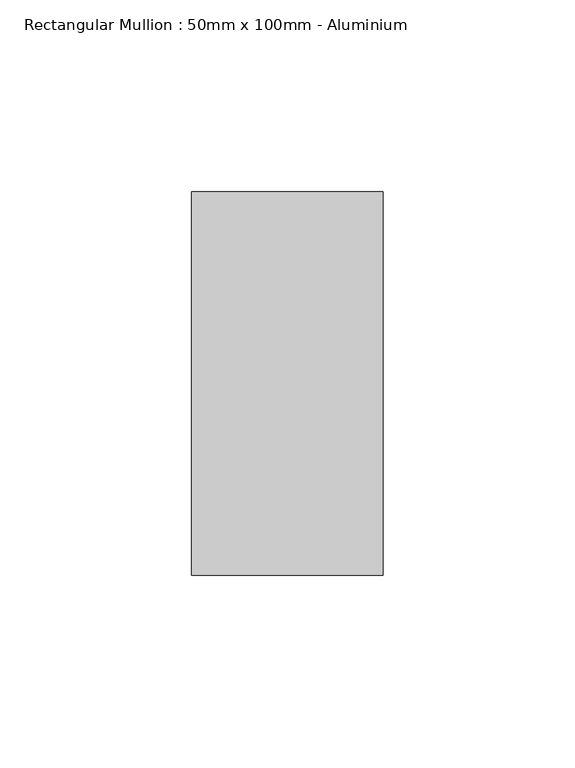
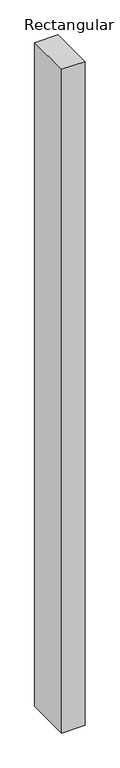
"""IFC4 building model written with IfcOpenShell, lengths in millimetres: member geometry, Rectangular Mullion : 50mm x 100mm - Aluminium."""

from ifc_helpers import new_model, si_unit, frame, origin, place, context, project, spatial, polyline, outline, extrude, source, transform, mapped, element, save


def rectangular_mullion_50mm_x_100mm_aluminium_deac7566(model_context):
    return source(origin(), model_context, "Body", "SweptSolid", [
        extrude(outline(polyline([(50.0, 50.0), (50.0, -50.0), (0.0, -50.0), (0.0, 50.0), (50.0, 50.0)])), frame((0.0, 0.0, -1500.0), z_axis=(0.0, 0.0, 1.0), x_axis=(1.0, 0.0, 0.0)), (0.0, 0.0, 1.0), 1500.0),
    ])


if __name__ == "__main__":
    model = new_model("IFC4")
    model_context = context("Model", 3, world=origin())
    ifc_project = project(units=[si_unit("LENGTHUNIT", "METRE", prefix="MILLI")], contexts=[model_context])
    site = spatial("IfcSite", under=ifc_project)
    building = spatial("IfcBuilding", under=site)
    placement = place(None, origin())
    rectangular_mullion_50mm_x_100mm_aluminium_shape = rectangular_mullion_50mm_x_100mm_aluminium_deac7566(model_context)
    element("IfcMember", 1, ObjectType="Rectangular Mullion : 50mm x 100mm - Aluminium", at=placement, inside=building, context=model_context, shape_type="MappedRepresentation", body=[
        mapped(rectangular_mullion_50mm_x_100mm_aluminium_shape, transform((0.0, 0.0, 0.0), x_axis=(1.0, 0.0, 0.0), y_axis=(0.0, 1.0, 0.0), z_axis=(0.0, 0.0, 1.0))),
    ])
    save(model, "model.ifc")
